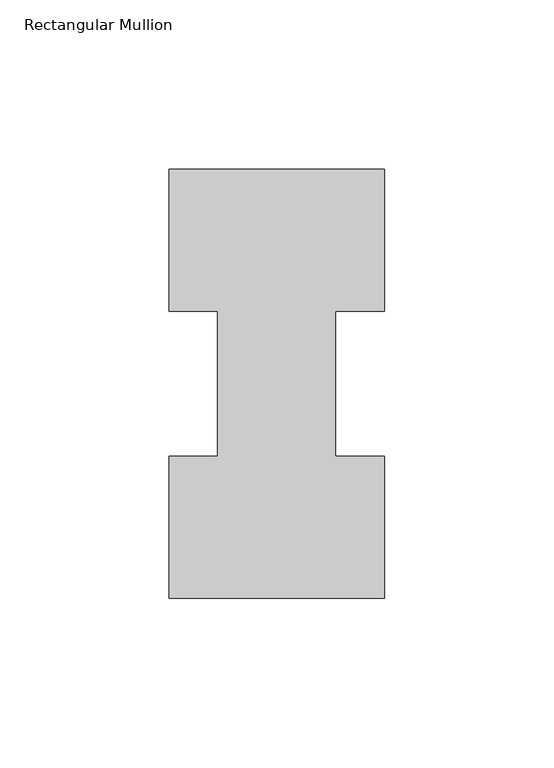
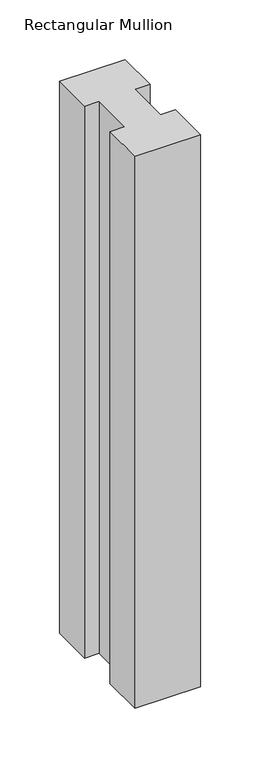
"""IFC4 building model written with IfcOpenShell, lengths in millimetres: member geometry, Rectangular Mullion."""

import ifcopenshell
import ifcopenshell.guid

model = None  # the IFC model being written
_history = None  # IfcOwnerHistory: only IFC2X3 demands one
_inside = {}  # id of a spatial element -> (the spatial element, [elements in it])
_under = {}  # id of a project, library or spatial element -> (it, [spatial elements below it])
_declared = {}  # id of a project -> (the project, [libraries it declares])
_typed = {}  # id of a type object -> (the type object, [elements of that type])
_made_of = {}  # id of a material, layer set ... -> (it, [elements and type objects made of it])


def new_model(schema):
    """Start an empty IFC model of exactly this schema.

    Asked for "IFC4X3", IfcOpenShell would pick the latest addendum, in which some entities
    have other attributes; the version numbers below select the first issue.
    IFC2X3 requires an IfcOwnerHistory on every rooted entity: one is made here for all.
    """
    global model, _history
    if schema == "IFC4X3":
        model = ifcopenshell.file(schema_version=(4, 3, 0, 0))
    else:
        model = ifcopenshell.file(schema=schema)
    _inside.clear()
    _under.clear()
    _declared.clear()
    _typed.clear()
    _made_of.clear()
    _history = None
    if model.schema == "IFC2X3":
        org = make("IfcOrganization", Name="unknown")
        user = make(
            "IfcPersonAndOrganization",
            ThePerson=make("IfcPerson", FamilyName="unknown"),
            TheOrganization=org,
        )
        app = make(
            "IfcApplication",
            ApplicationDeveloper=org,
            Version="unknown",
            ApplicationFullName="unknown",
            ApplicationIdentifier="unknown",
        )
        _history = make(
            "IfcOwnerHistory",
            OwningUser=user,
            OwningApplication=app,
            ChangeAction="ADDED",
            CreationDate=0,
        )
    return model


def make(cls, **values):
    """One entity of the class cls with the attributes given. An attribute that is None is left unset."""
    return model.create_entity(
        cls, **{name: value for name, value in values.items() if value is not None}
    )


def rooted(cls, **values):
    """An entity with a GlobalId (a new one), such as an element, a storey or a relation."""
    return make(cls, GlobalId=ifcopenshell.guid.new(), OwnerHistory=_history, **values)


def si_unit(unit_type, name, prefix=None):
    """IfcSIUnit, for example si_unit("LENGTHUNIT", "METRE", prefix="MILLI")."""
    return make("IfcSIUnit", UnitType=unit_type, Prefix=prefix, Name=name)


def assignment(units):
    """IfcUnitAssignment: the units of a project."""
    return None if units is None else make("IfcUnitAssignment", Units=units)


def point(xyz):
    """IfcCartesianPoint."""
    return None if xyz is None else make("IfcCartesianPoint", Coordinates=xyz)


def direction(xyz):
    """IfcDirection."""
    return None if xyz is None else make("IfcDirection", DirectionRatios=xyz)


def frame(location, z_axis=None, x_axis=None):
    """IfcAxis2Placement3D, a coordinate frame: its origin and axes. An axis left out is left unset."""
    return make(
        "IfcAxis2Placement3D",
        Location=point(location),
        Axis=direction(z_axis),
        RefDirection=direction(x_axis),
    )


def origin():
    """The frame at (0, 0, 0) with its axes left unset."""
    return frame((0.0, 0.0, 0.0))


def place(relative_to, where):
    """IfcLocalPlacement: puts the frame where relative to a parent placement (None: the world)."""
    return make(
        "IfcLocalPlacement", PlacementRelTo=relative_to, RelativePlacement=where
    )


def context(
    kind, dimensions, precision=None, world=None, true_north=None, identifier=None
):
    """IfcGeometricRepresentationContext, for example the 3D "Model" context."""
    return make(
        "IfcGeometricRepresentationContext",
        ContextIdentifier=identifier,
        ContextType=kind,
        CoordinateSpaceDimension=dimensions,
        Precision=precision,
        WorldCoordinateSystem=world,
        TrueNorth=true_north,
    )


def project(units=None, contexts=None):
    """IfcProject with its units and contexts."""
    return rooted(
        "IfcProject",
        Name="project",
        RepresentationContexts=contexts,
        UnitsInContext=assignment(units),
    )


def spatial(cls, under=None, at=None, **own):
    """A site, building, storey or space (cls), placed at a placement, below another one or the project."""
    s = rooted(cls, ObjectPlacement=at, **own)
    if under is not None:
        _under.setdefault(under.id(), (under, []))[1].append(s)
    return s


def polyline(points):
    """IfcPolyline through the points."""
    return make("IfcPolyline", Points=[point(p) for p in points])


def outline(outer, holes=None, kind="AREA"):
    """IfcArbitraryClosedProfileDef: a profile drawn as a closed curve; with holes, ...WithVoids."""
    if holes is None:
        return make("IfcArbitraryClosedProfileDef", ProfileType=kind, OuterCurve=outer)
    return make(
        "IfcArbitraryProfileDefWithVoids",
        ProfileType=kind,
        OuterCurve=outer,
        InnerCurves=holes,
    )


def extrude(swept, where, along, depth):
    """IfcExtrudedAreaSolid: the profile swept, set in the frame where, extruded along a direction by depth."""
    return make(
        "IfcExtrudedAreaSolid",
        SweptArea=swept,
        Position=where,
        ExtrudedDirection=direction(along),
        Depth=depth,
    )


def shape(context_of_items, identifier, shape_type, items):
    """IfcShapeRepresentation: the items that make up one representation, for example the "Body"."""
    return make(
        "IfcShapeRepresentation",
        ContextOfItems=context_of_items,
        RepresentationIdentifier=identifier,
        RepresentationType=shape_type,
        Items=items,
    )


def source(mapping_origin, context_of_items, identifier, shape_type, items):
    """IfcRepresentationMap: a shape defined once, which mapped items show again and again."""
    return make(
        "IfcRepresentationMap",
        MappingOrigin=mapping_origin,
        MappedRepresentation=shape(context_of_items, identifier, shape_type, items),
    )


def transform(
    local_origin,
    x_axis=None,
    y_axis=None,
    z_axis=None,
    scale=None,
    scale2=None,
    scale3=None,
    uniform=True,
):
    """IfcCartesianTransformationOperator3D, or its non-uniform kind. x_axis, y_axis, z_axis: its Axis1, 2, 3."""
    if uniform:
        return make(
            "IfcCartesianTransformationOperator3D",
            Axis1=direction(x_axis),
            Axis2=direction(y_axis),
            LocalOrigin=point(local_origin),
            Scale=scale,
            Axis3=direction(z_axis),
        )
    return make(
        "IfcCartesianTransformationOperator3DnonUniform",
        Axis1=direction(x_axis),
        Axis2=direction(y_axis),
        LocalOrigin=point(local_origin),
        Scale=scale,
        Axis3=direction(z_axis),
        Scale2=scale2,
        Scale3=scale3,
    )


def mapped(mapping_source, mapping_target):
    """IfcMappedItem: shows the shape of a source again, moved by a transform."""
    return make(
        "IfcMappedItem", MappingSource=mapping_source, MappingTarget=mapping_target
    )


def made_of(thing, what):
    """Note that an element or type object is made of a material, layer set ...; save() writes the relation."""
    if what is not None:
        _made_of.setdefault(what.id(), (what, []))[1].append(thing)
    return thing


def element(
    cls,
    number,
    at=None,
    inside=None,
    cuts=None,
    type_object=None,
    material=None,
    context=None,
    identifier="Body",
    shape_type=None,
    held_by="IfcProductDefinitionShape",
    body=None,
    shapes=None,
    **own,
):
    """One element of the class cls, such as IfcWall. Its Tag is "e" and its number.

    at: its placement. inside: the storey or other place that contains it. cuts: it is an
    opening in that element (IfcRelVoidsElement). A single representation is given by context,
    identifier, shape_type and body (its items); several are given by shapes. held_by: the class
    of the entity that holds the representations. save() writes the other relations.
    """
    e = rooted(cls, Tag="e%d" % number, ObjectPlacement=at, **own)
    if body is not None:
        shapes = [shape(context, identifier, shape_type, body)]
    if shapes is not None:
        e.Representation = make(held_by, Representations=shapes)
    if inside is not None:
        _inside.setdefault(inside.id(), (inside, []))[1].append(e)
    if cuts is not None:
        rooted(
            "IfcRelVoidsElement", RelatingBuildingElement=cuts, RelatedOpeningElement=e
        )
    if type_object is not None:
        _typed.setdefault(type_object.id(), (type_object, []))[1].append(e)
    return made_of(e, material)


def aggregate(whole, parts):
    """IfcRelAggregates: a whole, such as a stair, and the parts it consists of."""
    return rooted("IfcRelAggregates", RelatingObject=whole, RelatedObjects=parts)


def save(model, path):
    """Write the relations noted so far, then the file.

    IfcRelAggregates (storeys below a building ...), IfcRelContainedInSpatialStructure (elements
    in a storey), IfcRelDefinesByType, IfcRelAssociatesMaterial and IfcRelDeclares: one each for
    every whole, place, type object, material and project.
    """
    for whole, parts in _under.values():
        aggregate(whole, parts)
    for where, things in _inside.values():
        rooted(
            "IfcRelContainedInSpatialStructure",
            RelatedElements=things,
            RelatingStructure=where,
        )
    for kind, things in _typed.values():
        rooted("IfcRelDefinesByType", RelatedObjects=things, RelatingType=kind)
    for what, things in _made_of.values():
        rooted("IfcRelAssociatesMaterial", RelatedObjects=things, RelatingMaterial=what)
    for by, libraries in _declared.values():
        rooted("IfcRelDeclares", RelatingContext=by, RelatedDefinitions=libraries)
    model.write(path)


def rectangular_mullion_0e2ceba1(model_context):
    return source(origin(), model_context, "Body", "SweptSolid", [
        extrude(outline(polyline([(-63.5, -0.0373062), (-63.5, 41.7837937), (-49.2125, 41.7837937), (-49.2125, 84.6335937), (-63.5, 84.6335937), (-63.5, 126.4546937), (0.0, 126.4546937), (0.0, 84.6335937), (-14.4999808, 84.6335937), (-14.4999808, 41.7837937), (0.0, 41.7837937), (0.0, -0.0373062), (-63.5, -0.0373062)])), frame((0.0, 0.0, -564.8586938), z_axis=(0.0, 0.0, 1.0), x_axis=(1.0, 0.0, 0.0)), (0.0, 0.0, 1.0), 564.8586938),
    ])


if __name__ == "__main__":
    model = new_model("IFC4")
    model_context = context("Model", 3, world=origin())
    ifc_project = project(units=[si_unit("LENGTHUNIT", "METRE", prefix="MILLI")], contexts=[model_context])
    site = spatial("IfcSite", under=ifc_project)
    building = spatial("IfcBuilding", under=site)
    placement = place(None, origin())
    rectangular_mullion_shape = rectangular_mullion_0e2ceba1(model_context)
    element("IfcMember", 1, ObjectType="Rectangular Mullion", at=placement, inside=building, context=model_context, shape_type="MappedRepresentation", body=[
        mapped(rectangular_mullion_shape, transform((0.0, 0.0, 0.0), x_axis=(1.0, 0.0, 0.0), y_axis=(0.0, 1.0, 0.0), z_axis=(0.0, 0.0, 1.0))),
    ])
    save(model, "model.ifc")
